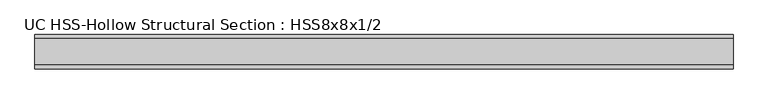
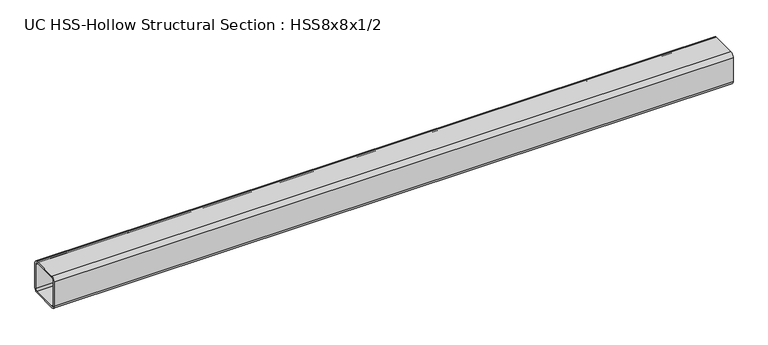
"""IFC4 building model written with IfcOpenShell, lengths in millimetres: member geometry, UC HSS-Hollow Structural Section : HSS8x8x1/2."""

from ifc_helpers import new_model, si_unit, point, frame, frame_2d, origin, place, context, project, spatial, polyline, circle_curve, trimmed, segment, composite_curve, outline, extrude, source, transform, mapped, element, save


def uc_hss_hollow_structural_section_hss8x8x1_2_af1f633a(model_context):
    return source(origin(), model_context, "Body", "SweptSolid", [
        extrude(outline(composite_curve([segment(trimmed(circle_curve(frame_2d((-77.978, 77.978)), 23.622), [point((-101.6, 77.978))], [point((-77.978, 101.6))], False, "CARTESIAN"), True, "CONTINUOUS"), segment(polyline([(-77.978, 101.6), (77.978, 101.6)]), True, "CONTINUOUS"), segment(trimmed(circle_curve(frame_2d((77.978, 77.978)), 23.622), [point((77.978, 101.6))], [point((101.6, 77.978))], False, "CARTESIAN"), True, "CONTINUOUS"), segment(polyline([(101.6, 77.978), (101.6, -77.978)]), True, "CONTINUOUS"), segment(trimmed(circle_curve(frame_2d((77.978, -77.978)), 23.622), [point((101.6, -77.978))], [point((77.978, -101.6))], False, "CARTESIAN"), True, "CONTINUOUS"), segment(polyline([(77.978, -101.6), (-77.978, -101.6)]), True, "CONTINUOUS"), segment(trimmed(circle_curve(frame_2d((-77.978, -77.978)), 23.622), [point((-77.978, -101.6))], [point((-101.6, -77.978))], False, "CARTESIAN"), True, "CONTINUOUS"), segment(polyline([(-101.6, -77.978), (-101.6, 77.978)]), True, "CONTINUOUS")], self_intersect=False), holes=[composite_curve([segment(polyline([(77.978, 89.789), (-77.978, 89.789)]), True, "CONTINUOUS"), segment(trimmed(circle_curve(frame_2d((-77.978, 77.978)), 11.811), [point((-77.978, 89.789))], [point((-89.789, 77.978))], True, "CARTESIAN"), True, "CONTINUOUS"), segment(polyline([(-89.789, 77.978), (-89.789, -77.978)]), True, "CONTINUOUS"), segment(trimmed(circle_curve(frame_2d((-77.978, -77.978)), 11.811), [point((-89.789, -77.978))], [point((-77.978, -89.789))], True, "CARTESIAN"), True, "CONTINUOUS"), segment(polyline([(-77.978, -89.789), (77.978, -89.789)]), True, "CONTINUOUS"), segment(trimmed(circle_curve(frame_2d((77.978, -77.978)), 11.811), [point((77.978, -89.789))], [point((89.789, -77.978))], True, "CARTESIAN"), True, "CONTINUOUS"), segment(polyline([(89.789, -77.978), (89.789, 77.978)]), True, "CONTINUOUS"), segment(trimmed(circle_curve(frame_2d((77.978, 77.978)), 11.811), [point((89.789, 77.978))], [point((77.978, 89.789))], True, "CARTESIAN"), True, "CONTINUOUS")], self_intersect=False)]), frame((-1922.0446654, 0.0, 0.0), z_axis=(1.0, 0.0, 0.0), x_axis=(0.0, 1.0, 0.0)), (0.0, 0.0, 1.0), 4151.0500246),
    ])


if __name__ == "__main__":
    model = new_model("IFC4")
    model_context = context("Model", 3, world=origin())
    ifc_project = project(units=[si_unit("LENGTHUNIT", "METRE", prefix="MILLI")], contexts=[model_context])
    site = spatial("IfcSite", under=ifc_project)
    building = spatial("IfcBuilding", under=site)
    placement = place(None, origin())
    uc_hss_hollow_structural_section_hss8x8x1_2_shape = uc_hss_hollow_structural_section_hss8x8x1_2_af1f633a(model_context)
    element("IfcMember", 1, ObjectType="UC HSS-Hollow Structural Section : HSS8x8x1/2", at=placement, inside=building, context=model_context, shape_type="MappedRepresentation", body=[
        mapped(uc_hss_hollow_structural_section_hss8x8x1_2_shape, transform((0.0, 0.0, 0.0), x_axis=(1.0, 0.0, 0.0), y_axis=(0.0, 1.0, 0.0), z_axis=(0.0, 0.0, 1.0))),
    ])
    save(model, "model.ifc")
